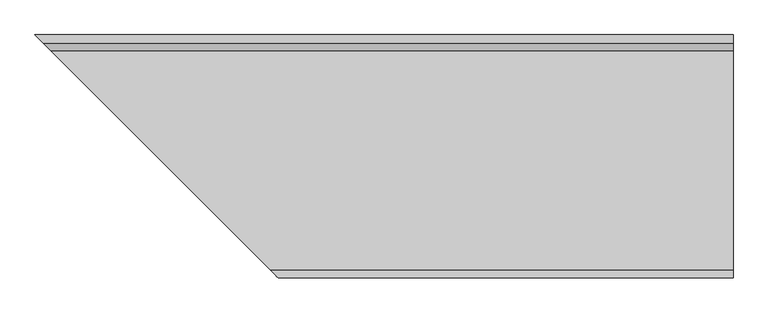
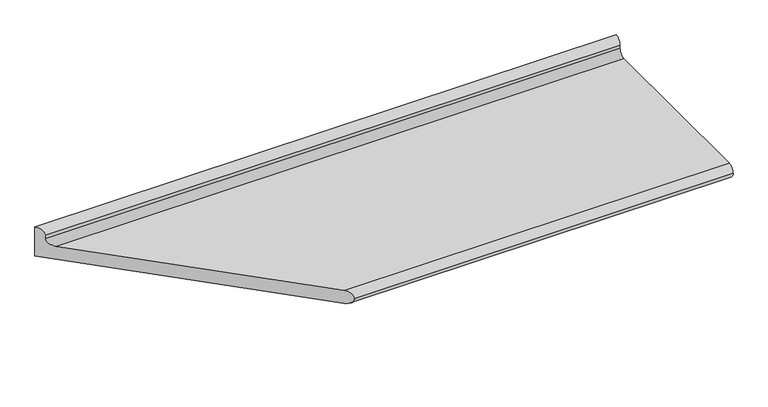
"""IFC4 building model written with IfcOpenShell, lengths in millimetres: furniture geometry."""

from ifc_helpers import new_model, si_unit, frame, origin, place, context, project, spatial, polyline, circle_curve, ellipse_curve, source, transform, mapped, element, save
from ifc_brep_helpers import plane_surface, cylinder_surface, revolved_surface, advanced_brep


def furniture_9b9e71a5(model_context):
    return source(origin(), model_context, "Body", "AdvancedBrep", [
        advanced_brep(
        [(1764.7003264, -605.0, 900.0), (1764.7003264, -1145.0123633, 900.0), (1764.7003264, -1165.0, 880.7031198), (1764.7003264, -1145.0123633, 860.0), (1764.7003264, -565.0, 860.0), (1764.7003264, -565.0, 950.0), (1764.7003264, -585.0, 930.0), (1764.7003264, -585.0, 920.0), (84.7003264, -605.0, 900.0), (624.7126897, -1145.0123633, 900.0), (644.7003264, -1165.0, 880.7031198), (624.7126897, -1145.0123633, 860.0), (44.7003264, -565.0, 860.0), (44.7003264, -565.0, 950.0), (64.7003264, -585.0, 930.0), (64.7003264, -585.0, 920.0)],
        [
            (0, 1),
            (1, 2, circle_curve(frame((1764.7003264, -1145.0123633, 880.0), z_axis=(1.0, 0.0, 0.0), x_axis=(0.0, 1.0, 0.0)), 20.0)),
            (2, 3, circle_curve(frame((1764.7003264, -1145.0123633, 880.0), z_axis=(1.0, 0.0, 0.0), x_axis=(0.0, 1.0, 0.0)), 20.0)),
            (3, 4),
            (4, 5),
            (5, 6, circle_curve(frame((1764.7003264, -565.0, 930.0), z_axis=(1.0, 0.0, 0.0), x_axis=(0.0, 1.0, 0.0)), 20.0)),
            (6, 7),
            (7, 0, circle_curve(frame((1764.7003264, -605.0, 920.0), z_axis=(-1.0, 0.0, 0.0), x_axis=(0.0, 1.0, 0.0)), 20.0)),
            (0, 8),
            (8, 9),
            (9, 1),
            (9, 10, ellipse_curve(frame((624.7126897, -1145.0123633, 880.0), z_axis=(0.7071067811865469, 0.7071067811865481, 0.0), x_axis=(0.7071067811865481, -0.7071067811865469, 0.0)), 28.2842712, 20.0)),
            (10, 2),
            (3, 11),
            (11, 12),
            (12, 4),
            (12, 13),
            (13, 5),
            (10, 11, ellipse_curve(frame((624.7126897, -1145.0123633, 880.0), z_axis=(0.7071067811865469, 0.7071067811865481, 0.0), x_axis=(0.7071067811865481, -0.7071067811865469, 0.0)), 28.2842712, 20.0)),
            (13, 14, ellipse_curve(frame((44.7003264, -565.0, 930.0), z_axis=(0.7071067811865469, 0.7071067811865481, 0.0), x_axis=(0.7071067811865481, -0.7071067811865469, 0.0)), 28.2842712, 20.0)),
            (14, 6),
            (14, 15),
            (15, 7),
            (15, 8, ellipse_curve(frame((84.7003264, -605.0, 920.0), z_axis=(-0.7071067811865469, -0.7071067811865481, 0.0), x_axis=(-0.7071067811865481, 0.7071067811865469, 0.0)), 28.2842712, 20.0)),
        ],
        [
            plane_surface(frame((1764.7003264, -1145.0123633, 900.0), z_axis=(1.0, 0.0, 0.0), x_axis=(0.0, -1.0, 0.0))),
            plane_surface(frame((1764.7003264, -605.0, 900.0), z_axis=(0.0, 0.0, 1.0), x_axis=(-1.0, 0.0, 0.0))),
            cylinder_surface(frame((44.7003264, -1145.0123633, 880.0), z_axis=(1.0, 0.0, 0.0), x_axis=(0.0, 1.0, 0.0)), 20.0),
            plane_surface(frame((1764.7003264, -1145.0123633, 860.0), z_axis=(0.0, 0.0, -1.0), x_axis=(-1.0, 0.0, 0.0))),
            plane_surface(frame((1764.7003264, -565.0, 860.0), z_axis=(0.0, 1.0, 0.0), x_axis=(-1.0, 0.0, 0.0))),
            cylinder_surface(frame((44.7003264, -565.0, 930.0), z_axis=(1.0, 0.0, 0.0), x_axis=(0.0, 1.0, 0.0)), 20.0),
            plane_surface(frame((1764.7003264, -585.0, 930.0), z_axis=(0.0, -1.0, 0.0), x_axis=(-1.0, 0.0, 0.0))),
            revolved_surface(polyline([(64.7003264, -585.0, 920.0), (1764.7003264, -585.0, 920.0)]), (44.7003264, -605.0, 920.0), (-1.0, 0.0, 0.0)),
            plane_surface(frame((704.7003264, -1225.0, 1003.1474494), z_axis=(-0.7071067811865469, -0.7071067811865481, 0.0), x_axis=(0.0, 0.0, -1.0))),
        ],
        [
            (0, [[1, 2, 3, 4, 5, 6, 7, 8]]),
            (1, [[-1, 9, 10, 11]]),
            (2, [[-2, -11, 12, 13]]),
            (3, [[-4, 14, 15, 16]]),
            (4, [[-5, -16, 17, 18]]),
            (2, [[-3, -13, 19, -14]]),
            (5, [[-6, -18, 20, 21]]),
            (6, [[-7, -21, 22, 23]]),
            (7, [[-8, -23, 24, -9]]),
            (8, [[-10, -24, -22, -20, -17, -15, -19, -12]]),
        ],
    ),
    ])


if __name__ == "__main__":
    model = new_model("IFC4")
    model_context = context("Model", 3, world=origin())
    ifc_project = project(units=[si_unit("LENGTHUNIT", "METRE", prefix="MILLI")], contexts=[model_context])
    site = spatial("IfcSite", under=ifc_project)
    building = spatial("IfcBuilding", under=site)
    placement = place(None, origin())
    furniture_shape = furniture_9b9e71a5(model_context)
    element("IfcFurniture", 1, at=placement, inside=building, context=model_context, shape_type="MappedRepresentation", body=[
        mapped(furniture_shape, transform((0.0, 0.0, 0.0), x_axis=(1.0, 0.0, 0.0), y_axis=(0.0, 1.0, 0.0), z_axis=(0.0, 0.0, 1.0))),
    ])
    save(model, "model.ifc")
